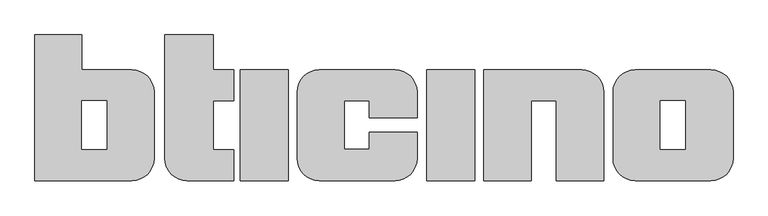
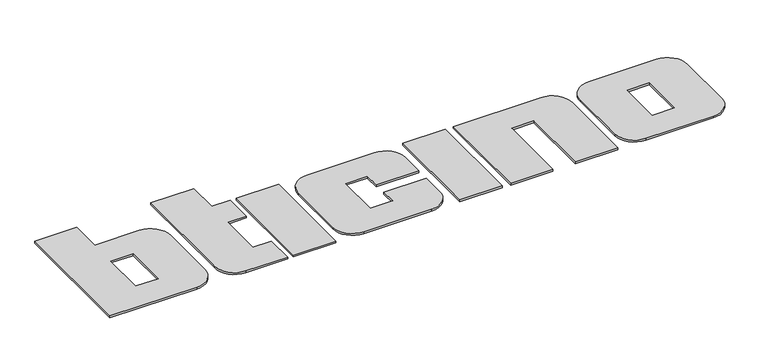
"""IFC4 building model written with IfcOpenShell, lengths in millimetres: proxy geometry."""

from ifc_helpers import new_model, si_unit, point, frame_2d, origin, origin_with_axes, place, context, project, spatial, polyline, circle_curve, trimmed, segment, composite_curve, outline, extrude, source, transform, mapped, element, save


def entourage_2e1bad55(model_context):
    return source(origin(), model_context, "Body", "SweptSolid", [
        extrude(outline(composite_curve([segment(trimmed(circle_curve(frame_2d((27.8721671, 200.0)), 50.0), [point((27.8721671, 250.0))], [point((77.8721671, 200.0))], False, "CARTESIAN"), True, "CONTINUOUS"), segment(polyline([(77.8721671, 200.0), (77.8721671, 141.7900159), (-29.7978433, 141.7900159), (-29.7978433, 180.0464311), (-86.1913358, 180.0464311), (-86.1913358, 70.434166), (-29.7978433, 70.434166), (-29.7978433, 109.5042215), (77.8721671, 109.5042215), (77.8721671, 50.0)]), True, "CONTINUOUS"), segment(trimmed(circle_curve(frame_2d((27.8721671, 50.0)), 50.0), [point((77.8721671, 50.0))], [point((27.8721671, 0.0))], False, "CARTESIAN"), True, "CONTINUOUS"), segment(polyline([(27.8721671, 0.0), (-143.0638754, 0.0)]), True, "CONTINUOUS"), segment(trimmed(circle_curve(frame_2d((-143.0638754, 50.0)), 50.0), [point((-143.0638754, 0.0))], [point((-193.0638754, 50.0))], False, "CARTESIAN"), True, "CONTINUOUS"), segment(polyline([(-193.0638754, 50.0), (-193.0638754, 200.0)]), True, "CONTINUOUS"), segment(trimmed(circle_curve(frame_2d((-143.0638754, 200.0)), 50.0), [point((-193.0638754, 200.0))], [point((-143.0638754, 250.0))], False, "CARTESIAN"), True, "CONTINUOUS"), segment(polyline([(-143.0638754, 250.0), (27.8721671, 250.0)]), True, "CONTINUOUS")], self_intersect=False)), origin_with_axes(), (0.0, 0.0, 1.0), 5.0),
        extrude(outline(composite_curve([segment(trimmed(circle_curve(frame_2d((449.0158107, 200.0)), 50.0), [point((449.0158107, 250.0))], [point((499.0158107, 200.0))], False, "CARTESIAN"), True, "CONTINUOUS"), segment(polyline([(499.0158107, 200.0), (499.0158107, 0.0), (391.3458003, 0.0), (391.3458003, 180.0464311), (334.9523077, 180.0464311), (334.9523077, 0.0), (228.0797682, 0.0), (228.0797682, 250.0), (449.0158107, 250.0)]), True, "CONTINUOUS")], self_intersect=False)), origin_with_axes(), (0.0, 0.0, 1.0), 5.0),
        extrude(outline(composite_curve([segment(trimmed(circle_curve(frame_2d((740.985189, 200.0)), 50.0), [point((740.985189, 250.0))], [point((790.985189, 200.0))], False, "CARTESIAN"), True, "CONTINUOUS"), segment(polyline([(790.985189, 200.0), (790.985189, 50.0)]), True, "CONTINUOUS"), segment(trimmed(circle_curve(frame_2d((740.985189, 50.0)), 50.0), [point((790.985189, 50.0))], [point((740.985189, 0.0))], False, "CARTESIAN"), True, "CONTINUOUS"), segment(polyline([(740.985189, 0.0), (570.0491464, 0.0)]), True, "CONTINUOUS"), segment(trimmed(circle_curve(frame_2d((570.0491464, 50.0)), 50.0), [point((570.0491464, 0.0))], [point((520.0491464, 50.0))], False, "CARTESIAN"), True, "CONTINUOUS"), segment(polyline([(520.0491464, 50.0), (520.0491464, 200.0)]), True, "CONTINUOUS"), segment(trimmed(circle_curve(frame_2d((570.0491464, 200.0)), 50.0), [point((520.0491464, 200.0))], [point((570.0491464, 250.0))], False, "CARTESIAN"), True, "CONTINUOUS"), segment(polyline([(570.0491464, 250.0), (740.985189, 250.0)]), True, "CONTINUOUS")], self_intersect=False), holes=[polyline([(683.3151785, 180.0464311), (626.921686, 180.0464311), (626.921686, 70.434166), (683.3151785, 70.434166), (683.3151785, 180.0464311)])]), origin_with_axes(), (0.0, 0.0, 1.0), 5.0),
        extrude(outline(polyline([(207.6606203, 250.0), (207.6606203, 0.0), (100.0, 0.0), (100.0, 250.0), (207.6606203, 250.0)])), origin_with_axes(), (0.0, 0.0, 1.0), 5.0),
        extrude(outline(polyline([(-213.4678759, 250.0), (-213.4678759, 0.0), (-321.1284962, 0.0), (-321.1284962, 250.0), (-213.4678759, 250.0)])), origin_with_axes(), (0.0, 0.0, 1.0), 5.0),
        extrude(outline(composite_curve([segment(polyline([(-491.8031259, 50.0), (-491.8031259, 328.9324569), (-382.8832739, 328.9324569), (-382.8832739, 250.0), (-336.0082739, 250.0), (-336.0082739, 180.5632351), (-382.8832739, 180.5632351), (-382.8832739, 70.2338068), (-336.0082739, 70.2338068), (-336.0082739, 0.0), (-441.8031259, 0.0)]), True, "CONTINUOUS"), segment(trimmed(circle_curve(frame_2d((-441.8031259, 50.0)), 50.0), [point((-441.8031259, 0.0))], [point((-491.8031259, 50.0))], False, "CARTESIAN"), True, "CONTINUOUS")], self_intersect=False)), origin_with_axes(), (0.0, 0.0, 1.0), 5.0),
        extrude(outline(composite_curve([segment(polyline([(-785.0356109, 0.0), (-785.0356109, 328.9324569), (-678.7742924, 328.9324569), (-678.7742924, 250.0), (-566.1965836, 250.0)]), True, "CONTINUOUS"), segment(trimmed(circle_curve(frame_2d((-566.1965836, 200.0)), 50.0), [point((-566.1965836, 250.0))], [point((-516.1965836, 200.0))], False, "CARTESIAN"), True, "CONTINUOUS"), segment(polyline([(-516.1965836, 200.0), (-516.1965836, 50.0)]), True, "CONTINUOUS"), segment(trimmed(circle_curve(frame_2d((-566.1965836, 50.0)), 50.0), [point((-516.1965836, 50.0))], [point((-566.1965836, 0.0))], False, "CARTESIAN"), True, "CONTINUOUS"), segment(polyline([(-566.1965836, 0.0), (-785.0356109, 0.0)]), True, "CONTINUOUS")], self_intersect=False), holes=[polyline([(-622.3807999, 180.0464311), (-678.7742924, 180.0464311), (-678.7742924, 70.434166), (-622.3807999, 70.434166), (-622.3807999, 180.0464311)])]), origin_with_axes(), (0.0, 0.0, 1.0), 5.0),
    ])


if __name__ == "__main__":
    model = new_model("IFC4")
    model_context = context("Model", 3, world=origin())
    ifc_project = project(units=[si_unit("LENGTHUNIT", "METRE", prefix="MILLI")], contexts=[model_context])
    site = spatial("IfcSite", under=ifc_project)
    building = spatial("IfcBuilding", under=site)
    placement = place(None, origin())
    entourage_shape = entourage_2e1bad55(model_context)
    element("IfcBuildingElementProxy", 1, Name="Entourage", at=placement, inside=building, context=model_context, shape_type="MappedRepresentation", body=[
        mapped(entourage_shape, transform((0.0, 0.0, 0.0), x_axis=(1.0, 0.0, 0.0), y_axis=(0.0, 1.0, 0.0), z_axis=(0.0, 0.0, 1.0))),
    ])
    save(model, "model.ifc")
